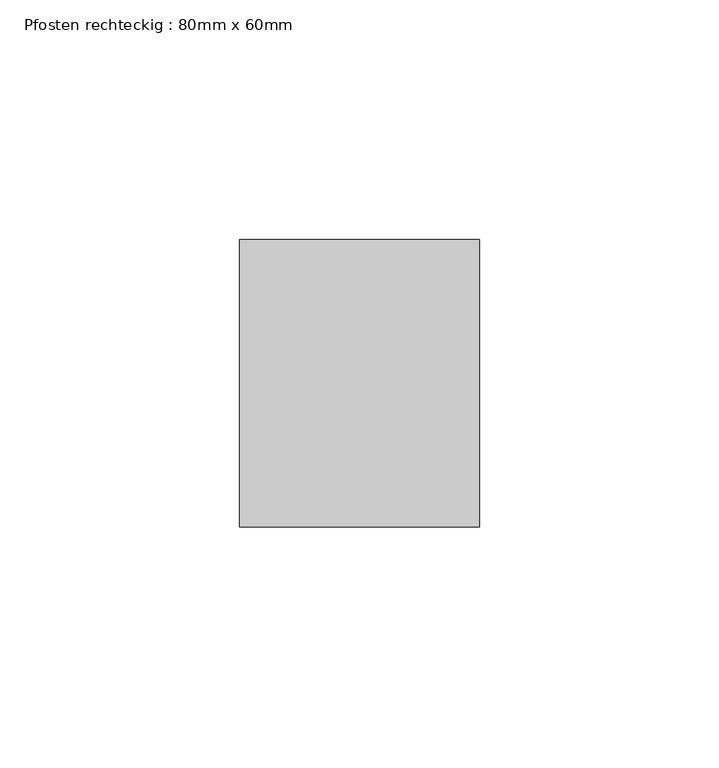
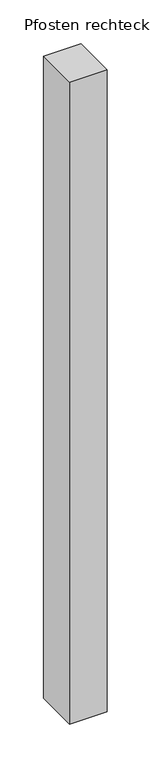
"""IFC4 building model written with IfcOpenShell, lengths in millimetres: member geometry, Pfosten rechteckig : 80mm x 60mm."""

from ifc_helpers import new_model, si_unit, frame, origin, place, context, project, spatial, polyline, outline, extrude, source, transform, mapped, element, save


def pfosten_rechteckig_80mm_x_60mm_fc84c0ad(model_context):
    return source(origin(), model_context, "Body", "SweptSolid", [
        extrude(outline(polyline([(0.0, 30.0), (0.0, -30.0), (-50.0, -30.0), (-50.0, 30.0), (0.0, 30.0)])), frame((0.0, 0.0, -900.0), z_axis=(0.0, 0.0, 1.0), x_axis=(1.0, 0.0, 0.0)), (0.0, 0.0, 1.0), 900.0),
    ])


if __name__ == "__main__":
    model = new_model("IFC4")
    model_context = context("Model", 3, world=origin())
    ifc_project = project(units=[si_unit("LENGTHUNIT", "METRE", prefix="MILLI")], contexts=[model_context])
    site = spatial("IfcSite", under=ifc_project)
    building = spatial("IfcBuilding", under=site)
    placement = place(None, origin())
    pfosten_rechteckig_80mm_x_60mm_shape = pfosten_rechteckig_80mm_x_60mm_fc84c0ad(model_context)
    element("IfcMember", 1, ObjectType="Pfosten rechteckig : 80mm x 60mm", at=placement, inside=building, context=model_context, shape_type="MappedRepresentation", body=[
        mapped(pfosten_rechteckig_80mm_x_60mm_shape, transform((0.0, 0.0, 0.0), x_axis=(1.0, 0.0, 0.0), y_axis=(0.0, 1.0, 0.0), z_axis=(0.0, 0.0, 1.0))),
    ])
    save(model, "model.ifc")
